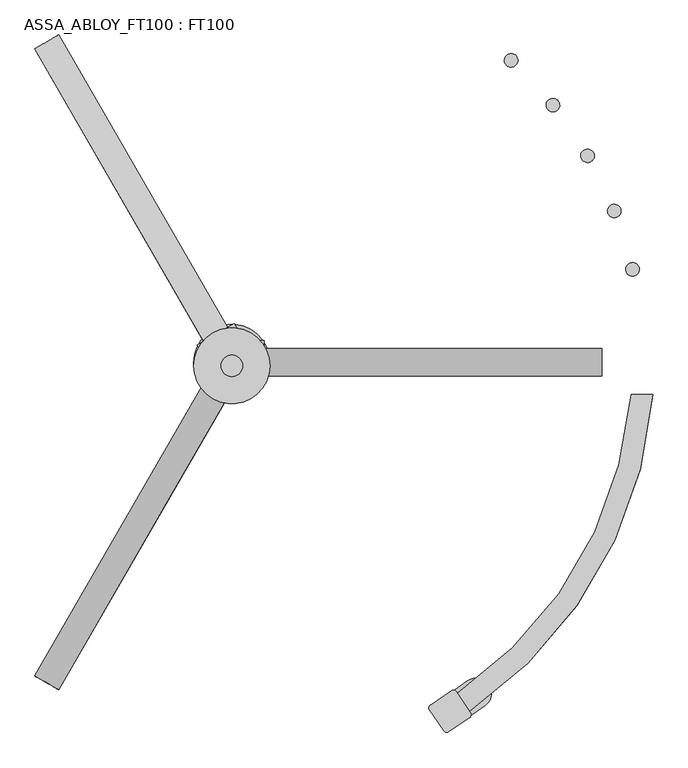
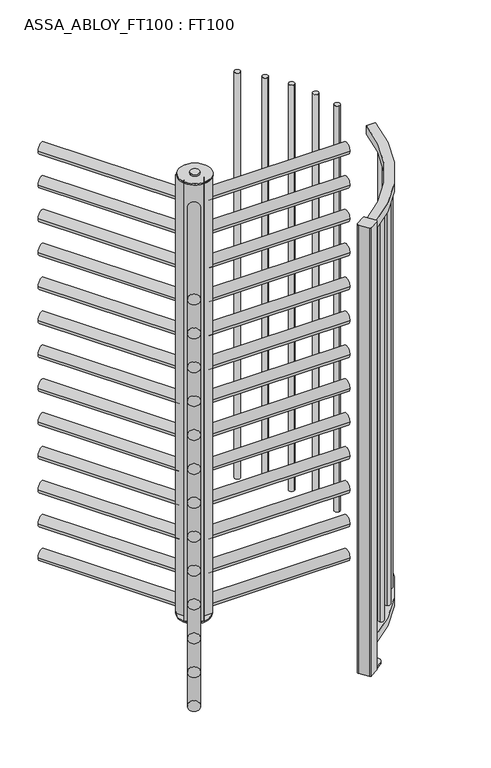
"""IFC4 building model written with IfcOpenShell, lengths in millimetres: proxy geometry, ASSA_ABLOY_FT100 : FT100."""

from ifc_helpers import new_model, si_unit, point, frame, frame_2d, origin, origin_with_axes, origin_2d, place, context, project, spatial, polyline, circle_curve, trimmed, segment, composite_curve, outline, extrude, source, transform, mapped, element, save
from ifc_brep_helpers import plane_surface, cylinder_surface, advanced_brep


def assa_abloy_ft100_ft100_c7faedb3(model_context):
    return source(origin(), model_context, "Body", "SolidModel", [
        extrude(outline(composite_curve([segment(trimmed(circle_curve(frame_2d((25.5, 2.28e-05)), 25.5), [point((25.5, -25.4999772))], [point((25.5, 25.5000228))], False, "CARTESIAN"), True, "CONTINUOUS"), segment(trimmed(circle_curve(frame_2d((25.5, 2.28e-05)), 25.5), [point((25.5, 25.5000228))], [point((25.5, -25.4999772))], False, "CARTESIAN"), True, "CONTINUOUS")], self_intersect=False)), frame((-342.9175003, -594.0003728, 37.0), z_axis=(0.4999685347432278, 0.8660435694967719, 0.0), x_axis=(0.0, 0.0, 1.0)), (0.0, 0.0, 1.0), 625.9000001),
        extrude(outline(composite_curve([segment(trimmed(circle_curve(frame_2d((186.5, 2.28e-05)), 25.5), [point((186.5, -25.4999772))], [point((186.5, 25.5000228))], False, "CARTESIAN"), True, "CONTINUOUS"), segment(trimmed(circle_curve(frame_2d((186.5, 2.28e-05)), 25.5), [point((186.5, 25.5000228))], [point((186.5, -25.4999772))], False, "CARTESIAN"), True, "CONTINUOUS")], self_intersect=False)), frame((-342.9175003, -594.0003728, 37.0), z_axis=(0.4999685347432278, 0.8660435694967719, 0.0), x_axis=(0.0, 0.0, 1.0)), (0.0, 0.0, 1.0), 625.9000001),
        extrude(outline(composite_curve([segment(trimmed(circle_curve(frame_2d((347.5, 2.28e-05)), 25.5), [point((347.5, -25.4999772))], [point((347.5, 25.5000228))], False, "CARTESIAN"), True, "CONTINUOUS"), segment(trimmed(circle_curve(frame_2d((347.5, 2.28e-05)), 25.5), [point((347.5, 25.5000228))], [point((347.5, -25.4999772))], False, "CARTESIAN"), True, "CONTINUOUS")], self_intersect=False)), frame((-342.9175003, -594.0003728, 37.0), z_axis=(0.4999685347432278, 0.8660435694967719, 0.0), x_axis=(0.0, 0.0, 1.0)), (0.0, 0.0, 1.0), 625.9000001),
        extrude(outline(composite_curve([segment(trimmed(circle_curve(frame_2d((508.5, 2.28e-05)), 25.5), [point((508.5, -25.4999772))], [point((508.5, 25.5000228))], False, "CARTESIAN"), True, "CONTINUOUS"), segment(trimmed(circle_curve(frame_2d((508.5, 2.28e-05)), 25.5), [point((508.5, 25.5000228))], [point((508.5, -25.4999772))], False, "CARTESIAN"), True, "CONTINUOUS")], self_intersect=False)), frame((-342.9175003, -594.0003728, 37.0), z_axis=(0.4999685347432278, 0.8660435694967719, 0.0), x_axis=(0.0, 0.0, 1.0)), (0.0, 0.0, 1.0), 625.9000001),
        extrude(outline(composite_curve([segment(trimmed(circle_curve(frame_2d((669.5, 2.28e-05)), 25.5), [point((669.5, -25.4999772))], [point((669.5, 25.5000228))], False, "CARTESIAN"), True, "CONTINUOUS"), segment(trimmed(circle_curve(frame_2d((669.5, 2.28e-05)), 25.5), [point((669.5, 25.5000228))], [point((669.5, -25.4999772))], False, "CARTESIAN"), True, "CONTINUOUS")], self_intersect=False)), frame((-342.9175003, -594.0003728, 37.0), z_axis=(0.4999685347432278, 0.8660435694967719, 0.0), x_axis=(0.0, 0.0, 1.0)), (0.0, 0.0, 1.0), 625.9000001),
        extrude(outline(composite_curve([segment(trimmed(circle_curve(frame_2d((830.5, 2.28e-05)), 25.5), [point((830.5, -25.4999772))], [point((830.5, 25.5000228))], False, "CARTESIAN"), True, "CONTINUOUS"), segment(trimmed(circle_curve(frame_2d((830.5, 2.28e-05)), 25.5), [point((830.5, 25.5000228))], [point((830.5, -25.4999772))], False, "CARTESIAN"), True, "CONTINUOUS")], self_intersect=False)), frame((-342.9175003, -594.0003728, 37.0), z_axis=(0.4999685347432278, 0.8660435694967719, 0.0), x_axis=(0.0, 0.0, 1.0)), (0.0, 0.0, 1.0), 625.9000001),
        extrude(outline(composite_curve([segment(trimmed(circle_curve(frame_2d((991.5, 2.28e-05)), 25.5), [point((991.5, -25.4999772))], [point((991.5, 25.5000228))], False, "CARTESIAN"), True, "CONTINUOUS"), segment(trimmed(circle_curve(frame_2d((991.5, 2.28e-05)), 25.5), [point((991.5, 25.5000228))], [point((991.5, -25.4999772))], False, "CARTESIAN"), True, "CONTINUOUS")], self_intersect=False)), frame((-342.9175003, -594.0003728, 37.0), z_axis=(0.4999685347432278, 0.8660435694967719, 0.0), x_axis=(0.0, 0.0, 1.0)), (0.0, 0.0, 1.0), 625.9000001),
        extrude(outline(composite_curve([segment(trimmed(circle_curve(frame_2d((1152.5, 2.28e-05)), 25.5), [point((1152.5, -25.4999772))], [point((1152.5, 25.5000228))], False, "CARTESIAN"), True, "CONTINUOUS"), segment(trimmed(circle_curve(frame_2d((1152.5, 2.28e-05)), 25.5), [point((1152.5, 25.5000228))], [point((1152.5, -25.4999772))], False, "CARTESIAN"), True, "CONTINUOUS")], self_intersect=False)), frame((-342.9175003, -594.0003728, 37.0), z_axis=(0.4999685347432278, 0.8660435694967719, 0.0), x_axis=(0.0, 0.0, 1.0)), (0.0, 0.0, 1.0), 625.9000001),
        extrude(outline(composite_curve([segment(trimmed(circle_curve(frame_2d((1313.5, 2.28e-05)), 25.5), [point((1313.5, -25.4999772))], [point((1313.5, 25.5000228))], False, "CARTESIAN"), True, "CONTINUOUS"), segment(trimmed(circle_curve(frame_2d((1313.5, 2.28e-05)), 25.5), [point((1313.5, 25.5000228))], [point((1313.5, -25.4999772))], False, "CARTESIAN"), True, "CONTINUOUS")], self_intersect=False)), frame((-342.9175003, -594.0003728, 37.0), z_axis=(0.4999685347432278, 0.8660435694967719, 0.0), x_axis=(0.0, 0.0, 1.0)), (0.0, 0.0, 1.0), 625.9000001),
        extrude(outline(composite_curve([segment(trimmed(circle_curve(frame_2d((1474.5, 2.28e-05)), 25.5), [point((1474.5, -25.4999772))], [point((1474.5, 25.5000228))], False, "CARTESIAN"), True, "CONTINUOUS"), segment(trimmed(circle_curve(frame_2d((1474.5, 2.28e-05)), 25.5), [point((1474.5, 25.5000228))], [point((1474.5, -25.4999772))], False, "CARTESIAN"), True, "CONTINUOUS")], self_intersect=False)), frame((-342.9175003, -594.0003728, 37.0), z_axis=(0.4999685347432278, 0.8660435694967719, 0.0), x_axis=(0.0, 0.0, 1.0)), (0.0, 0.0, 1.0), 625.9000001),
        extrude(outline(composite_curve([segment(trimmed(circle_curve(frame_2d((1635.5, 2.28e-05)), 25.5), [point((1635.5, -25.4999772))], [point((1635.5, 25.5000228))], False, "CARTESIAN"), True, "CONTINUOUS"), segment(trimmed(circle_curve(frame_2d((1635.5, 2.28e-05)), 25.5), [point((1635.5, 25.5000228))], [point((1635.5, -25.4999772))], False, "CARTESIAN"), True, "CONTINUOUS")], self_intersect=False)), frame((-342.9175003, -594.0003728, 37.0), z_axis=(0.4999685347432278, 0.8660435694967719, 0.0), x_axis=(0.0, 0.0, 1.0)), (0.0, 0.0, 1.0), 625.9000001),
        extrude(outline(composite_curve([segment(trimmed(circle_curve(frame_2d((1796.5, 2.28e-05)), 25.5), [point((1796.5, -25.4999772))], [point((1796.5, 25.5000228))], False, "CARTESIAN"), True, "CONTINUOUS"), segment(trimmed(circle_curve(frame_2d((1796.5, 2.28e-05)), 25.5), [point((1796.5, 25.5000228))], [point((1796.5, -25.4999772))], False, "CARTESIAN"), True, "CONTINUOUS")], self_intersect=False)), frame((-342.9175003, -594.0003728, 37.0), z_axis=(0.4999685347432278, 0.8660435694967719, 0.0), x_axis=(0.0, 0.0, 1.0)), (0.0, 0.0, 1.0), 625.9000001),
        extrude(outline(composite_curve([segment(trimmed(circle_curve(frame_2d((1957.5, 2.28e-05)), 25.5), [point((1957.5, -25.4999772))], [point((1957.5, 25.5000228))], False, "CARTESIAN"), True, "CONTINUOUS"), segment(trimmed(circle_curve(frame_2d((1957.5, 2.28e-05)), 25.5), [point((1957.5, 25.5000228))], [point((1957.5, -25.4999772))], False, "CARTESIAN"), True, "CONTINUOUS")], self_intersect=False)), frame((-342.9175003, -594.0003728, 37.0), z_axis=(0.4999685347432278, 0.8660435694967719, 0.0), x_axis=(0.0, 0.0, 1.0)), (0.0, 0.0, 1.0), 625.9000001),
        extrude(outline(composite_curve([segment(trimmed(circle_curve(frame_2d((25.5, -2.28e-05)), 25.5), [point((25.5, 25.4999772))], [point((25.5, -25.5000228))], False, "CARTESIAN"), True, "CONTINUOUS"), segment(trimmed(circle_curve(frame_2d((25.5, -2.28e-05)), 25.5), [point((25.5, -25.5000228))], [point((25.5, 25.4999772))], False, "CARTESIAN"), True, "CONTINUOUS")], self_intersect=False)), frame((-29.9917907, 51.946396, 37.0), z_axis=(-0.5000065646043345, 0.8660216136751852, 0.0), x_axis=(0.0, 0.0, 1.0)), (0.0, 0.0, 1.0), 625.9),
        extrude(outline(composite_curve([segment(trimmed(circle_curve(frame_2d((186.5, -2.28e-05)), 25.5), [point((186.5, 25.4999772))], [point((186.5, -25.5000228))], False, "CARTESIAN"), True, "CONTINUOUS"), segment(trimmed(circle_curve(frame_2d((186.5, -2.28e-05)), 25.5), [point((186.5, -25.5000228))], [point((186.5, 25.4999772))], False, "CARTESIAN"), True, "CONTINUOUS")], self_intersect=False)), frame((-29.9917907, 51.946396, 37.0), z_axis=(-0.5000065646043345, 0.8660216136751852, 0.0), x_axis=(0.0, 0.0, 1.0)), (0.0, 0.0, 1.0), 625.9),
        extrude(outline(composite_curve([segment(trimmed(circle_curve(frame_2d((347.5, -2.28e-05)), 25.5), [point((347.5, 25.4999772))], [point((347.5, -25.5000228))], False, "CARTESIAN"), True, "CONTINUOUS"), segment(trimmed(circle_curve(frame_2d((347.5, -2.28e-05)), 25.5), [point((347.5, -25.5000228))], [point((347.5, 25.4999772))], False, "CARTESIAN"), True, "CONTINUOUS")], self_intersect=False)), frame((-29.9917907, 51.946396, 37.0), z_axis=(-0.5000065646043345, 0.8660216136751852, 0.0), x_axis=(0.0, 0.0, 1.0)), (0.0, 0.0, 1.0), 625.9),
        extrude(outline(composite_curve([segment(trimmed(circle_curve(frame_2d((508.5, -2.28e-05)), 25.5), [point((508.5, 25.4999772))], [point((508.5, -25.5000228))], False, "CARTESIAN"), True, "CONTINUOUS"), segment(trimmed(circle_curve(frame_2d((508.5, -2.28e-05)), 25.5), [point((508.5, -25.5000228))], [point((508.5, 25.4999772))], False, "CARTESIAN"), True, "CONTINUOUS")], self_intersect=False)), frame((-29.9917907, 51.946396, 37.0), z_axis=(-0.5000065646043345, 0.8660216136751852, 0.0), x_axis=(0.0, 0.0, 1.0)), (0.0, 0.0, 1.0), 625.9),
        extrude(outline(composite_curve([segment(trimmed(circle_curve(frame_2d((669.5, -2.28e-05)), 25.5), [point((669.5, 25.4999772))], [point((669.5, -25.5000228))], False, "CARTESIAN"), True, "CONTINUOUS"), segment(trimmed(circle_curve(frame_2d((669.5, -2.28e-05)), 25.5), [point((669.5, -25.5000228))], [point((669.5, 25.4999772))], False, "CARTESIAN"), True, "CONTINUOUS")], self_intersect=False)), frame((-29.9917907, 51.946396, 37.0), z_axis=(-0.5000065646043345, 0.8660216136751852, 0.0), x_axis=(0.0, 0.0, 1.0)), (0.0, 0.0, 1.0), 625.9),
        extrude(outline(composite_curve([segment(trimmed(circle_curve(frame_2d((830.5, -2.28e-05)), 25.5), [point((830.5, 25.4999772))], [point((830.5, -25.5000228))], False, "CARTESIAN"), True, "CONTINUOUS"), segment(trimmed(circle_curve(frame_2d((830.5, -2.28e-05)), 25.5), [point((830.5, -25.5000228))], [point((830.5, 25.4999772))], False, "CARTESIAN"), True, "CONTINUOUS")], self_intersect=False)), frame((-29.9917907, 51.946396, 37.0), z_axis=(-0.5000065646043345, 0.8660216136751852, 0.0), x_axis=(0.0, 0.0, 1.0)), (0.0, 0.0, 1.0), 625.9),
        extrude(outline(composite_curve([segment(trimmed(circle_curve(frame_2d((991.5, -2.28e-05)), 25.5), [point((991.5, 25.4999772))], [point((991.5, -25.5000228))], False, "CARTESIAN"), True, "CONTINUOUS"), segment(trimmed(circle_curve(frame_2d((991.5, -2.28e-05)), 25.5), [point((991.5, -25.5000228))], [point((991.5, 25.4999772))], False, "CARTESIAN"), True, "CONTINUOUS")], self_intersect=False)), frame((-29.9917907, 51.946396, 37.0), z_axis=(-0.5000065646043345, 0.8660216136751852, 0.0), x_axis=(0.0, 0.0, 1.0)), (0.0, 0.0, 1.0), 625.9),
        extrude(outline(composite_curve([segment(trimmed(circle_curve(frame_2d((1152.5, -2.28e-05)), 25.5), [point((1152.5, 25.4999772))], [point((1152.5, -25.5000228))], False, "CARTESIAN"), True, "CONTINUOUS"), segment(trimmed(circle_curve(frame_2d((1152.5, -2.28e-05)), 25.5), [point((1152.5, -25.5000228))], [point((1152.5, 25.4999772))], False, "CARTESIAN"), True, "CONTINUOUS")], self_intersect=False)), frame((-29.9917907, 51.946396, 37.0), z_axis=(-0.5000065646043345, 0.8660216136751852, 0.0), x_axis=(0.0, 0.0, 1.0)), (0.0, 0.0, 1.0), 625.9),
        extrude(outline(composite_curve([segment(trimmed(circle_curve(frame_2d((1313.5, -2.28e-05)), 25.5), [point((1313.5, 25.4999772))], [point((1313.5, -25.5000228))], False, "CARTESIAN"), True, "CONTINUOUS"), segment(trimmed(circle_curve(frame_2d((1313.5, -2.28e-05)), 25.5), [point((1313.5, -25.5000228))], [point((1313.5, 25.4999772))], False, "CARTESIAN"), True, "CONTINUOUS")], self_intersect=False)), frame((-29.9917907, 51.946396, 37.0), z_axis=(-0.5000065646043345, 0.8660216136751852, 0.0), x_axis=(0.0, 0.0, 1.0)), (0.0, 0.0, 1.0), 625.9),
        extrude(outline(composite_curve([segment(trimmed(circle_curve(frame_2d((1474.5, -2.28e-05)), 25.5), [point((1474.5, 25.4999772))], [point((1474.5, -25.5000228))], False, "CARTESIAN"), True, "CONTINUOUS"), segment(trimmed(circle_curve(frame_2d((1474.5, -2.28e-05)), 25.5), [point((1474.5, -25.5000228))], [point((1474.5, 25.4999772))], False, "CARTESIAN"), True, "CONTINUOUS")], self_intersect=False)), frame((-29.9917907, 51.946396, 37.0), z_axis=(-0.5000065646043345, 0.8660216136751852, 0.0), x_axis=(0.0, 0.0, 1.0)), (0.0, 0.0, 1.0), 625.9),
        extrude(outline(composite_curve([segment(trimmed(circle_curve(frame_2d((1635.5, -2.28e-05)), 25.5), [point((1635.5, 25.4999772))], [point((1635.5, -25.5000228))], False, "CARTESIAN"), True, "CONTINUOUS"), segment(trimmed(circle_curve(frame_2d((1635.5, -2.28e-05)), 25.5), [point((1635.5, -25.5000228))], [point((1635.5, 25.4999772))], False, "CARTESIAN"), True, "CONTINUOUS")], self_intersect=False)), frame((-29.9917907, 51.946396, 37.0), z_axis=(-0.5000065646043345, 0.8660216136751852, 0.0), x_axis=(0.0, 0.0, 1.0)), (0.0, 0.0, 1.0), 625.9),
        extrude(outline(composite_curve([segment(trimmed(circle_curve(frame_2d((1796.5, -2.28e-05)), 25.5), [point((1796.5, 25.4999772))], [point((1796.5, -25.5000228))], False, "CARTESIAN"), True, "CONTINUOUS"), segment(trimmed(circle_curve(frame_2d((1796.5, -2.28e-05)), 25.5), [point((1796.5, -25.5000228))], [point((1796.5, 25.4999772))], False, "CARTESIAN"), True, "CONTINUOUS")], self_intersect=False)), frame((-29.9917907, 51.946396, 37.0), z_axis=(-0.5000065646043345, 0.8660216136751852, 0.0), x_axis=(0.0, 0.0, 1.0)), (0.0, 0.0, 1.0), 625.9),
        extrude(outline(composite_curve([segment(trimmed(circle_curve(frame_2d((1957.5, -2.28e-05)), 25.5), [point((1957.5, 25.4999772))], [point((1957.5, -25.5000228))], False, "CARTESIAN"), True, "CONTINUOUS"), segment(trimmed(circle_curve(frame_2d((1957.5, -2.28e-05)), 25.5), [point((1957.5, -25.5000228))], [point((1957.5, 25.4999772))], False, "CARTESIAN"), True, "CONTINUOUS")], self_intersect=False)), frame((-29.9917907, 51.946396, 37.0), z_axis=(-0.5000065646043345, 0.8660216136751852, 0.0), x_axis=(0.0, 0.0, 1.0)), (0.0, 0.0, 1.0), 625.9),
        extrude(outline(composite_curve([segment(trimmed(circle_curve(frame_2d((0.0, 62.5)), 25.5), [point((-25.5, 62.5))], [point((25.5, 62.5))], False, "CARTESIAN"), True, "CONTINUOUS"), segment(trimmed(circle_curve(frame_2d((0.0, 62.5)), 25.5), [point((25.5, 62.5))], [point((-25.5, 62.5))], False, "CARTESIAN"), True, "CONTINUOUS")], self_intersect=False)), frame((60.0, 0.0, 0.0), z_axis=(1.0, 0.0, 0.0), x_axis=(0.0, 1.0, 0.0)), (0.0, 0.0, 1.0), 625.9),
        extrude(outline(composite_curve([segment(trimmed(circle_curve(frame_2d((0.0, 223.5)), 25.5), [point((-25.5, 223.5))], [point((25.5, 223.5))], False, "CARTESIAN"), True, "CONTINUOUS"), segment(trimmed(circle_curve(frame_2d((0.0, 223.5)), 25.5), [point((25.5, 223.5))], [point((-25.5, 223.5))], False, "CARTESIAN"), True, "CONTINUOUS")], self_intersect=False)), frame((60.0, 0.0, 0.0), z_axis=(1.0, 0.0, 0.0), x_axis=(0.0, 1.0, 0.0)), (0.0, 0.0, 1.0), 625.9),
        extrude(outline(composite_curve([segment(trimmed(circle_curve(frame_2d((0.0, 384.5)), 25.5), [point((-25.5, 384.5))], [point((25.5, 384.5))], False, "CARTESIAN"), True, "CONTINUOUS"), segment(trimmed(circle_curve(frame_2d((0.0, 384.5)), 25.5), [point((25.5, 384.5))], [point((-25.5, 384.5))], False, "CARTESIAN"), True, "CONTINUOUS")], self_intersect=False)), frame((60.0, 0.0, 0.0), z_axis=(1.0, 0.0, 0.0), x_axis=(0.0, 1.0, 0.0)), (0.0, 0.0, 1.0), 625.9),
        extrude(outline(composite_curve([segment(trimmed(circle_curve(frame_2d((0.0, 545.5)), 25.5), [point((-25.5, 545.5))], [point((25.5, 545.5))], False, "CARTESIAN"), True, "CONTINUOUS"), segment(trimmed(circle_curve(frame_2d((0.0, 545.5)), 25.5), [point((25.5, 545.5))], [point((-25.5, 545.5))], False, "CARTESIAN"), True, "CONTINUOUS")], self_intersect=False)), frame((60.0, 0.0, 0.0), z_axis=(1.0, 0.0, 0.0), x_axis=(0.0, 1.0, 0.0)), (0.0, 0.0, 1.0), 625.9),
        extrude(outline(composite_curve([segment(trimmed(circle_curve(frame_2d((0.0, 706.5)), 25.5), [point((-25.5, 706.5))], [point((25.5, 706.5))], False, "CARTESIAN"), True, "CONTINUOUS"), segment(trimmed(circle_curve(frame_2d((0.0, 706.5)), 25.5), [point((25.5, 706.5))], [point((-25.5, 706.5))], False, "CARTESIAN"), True, "CONTINUOUS")], self_intersect=False)), frame((60.0, 0.0, 0.0), z_axis=(1.0, 0.0, 0.0), x_axis=(0.0, 1.0, 0.0)), (0.0, 0.0, 1.0), 625.9),
        extrude(outline(composite_curve([segment(trimmed(circle_curve(frame_2d((0.0, 867.5)), 25.5), [point((-25.5, 867.5))], [point((25.5, 867.5))], False, "CARTESIAN"), True, "CONTINUOUS"), segment(trimmed(circle_curve(frame_2d((0.0, 867.5)), 25.5), [point((25.5, 867.5))], [point((-25.5, 867.5))], False, "CARTESIAN"), True, "CONTINUOUS")], self_intersect=False)), frame((60.0, 0.0, 0.0), z_axis=(1.0, 0.0, 0.0), x_axis=(0.0, 1.0, 0.0)), (0.0, 0.0, 1.0), 625.9),
        extrude(outline(composite_curve([segment(trimmed(circle_curve(frame_2d((0.0, 1028.5)), 25.5), [point((-25.5, 1028.5))], [point((25.5, 1028.5))], False, "CARTESIAN"), True, "CONTINUOUS"), segment(trimmed(circle_curve(frame_2d((0.0, 1028.5)), 25.5), [point((25.5, 1028.5))], [point((-25.5, 1028.5))], False, "CARTESIAN"), True, "CONTINUOUS")], self_intersect=False)), frame((60.0, 0.0, 0.0), z_axis=(1.0, 0.0, 0.0), x_axis=(0.0, 1.0, 0.0)), (0.0, 0.0, 1.0), 625.9),
        extrude(outline(composite_curve([segment(trimmed(circle_curve(frame_2d((0.0, 1189.5)), 25.5), [point((-25.5, 1189.5))], [point((25.5, 1189.5))], False, "CARTESIAN"), True, "CONTINUOUS"), segment(trimmed(circle_curve(frame_2d((0.0, 1189.5)), 25.5), [point((25.5, 1189.5))], [point((-25.5, 1189.5))], False, "CARTESIAN"), True, "CONTINUOUS")], self_intersect=False)), frame((60.0, 0.0, 0.0), z_axis=(1.0, 0.0, 0.0), x_axis=(0.0, 1.0, 0.0)), (0.0, 0.0, 1.0), 625.9),
        extrude(outline(composite_curve([segment(trimmed(circle_curve(frame_2d((0.0, 1350.5)), 25.5), [point((-25.5, 1350.5))], [point((25.5, 1350.5))], False, "CARTESIAN"), True, "CONTINUOUS"), segment(trimmed(circle_curve(frame_2d((0.0, 1350.5)), 25.5), [point((25.5, 1350.5))], [point((-25.5, 1350.5))], False, "CARTESIAN"), True, "CONTINUOUS")], self_intersect=False)), frame((60.0, 0.0, 0.0), z_axis=(1.0, 0.0, 0.0), x_axis=(0.0, 1.0, 0.0)), (0.0, 0.0, 1.0), 625.9),
        extrude(outline(composite_curve([segment(trimmed(circle_curve(frame_2d((0.0, 1511.5)), 25.5), [point((-25.5, 1511.5))], [point((25.5, 1511.5))], False, "CARTESIAN"), True, "CONTINUOUS"), segment(trimmed(circle_curve(frame_2d((0.0, 1511.5)), 25.5), [point((25.5, 1511.5))], [point((-25.5, 1511.5))], False, "CARTESIAN"), True, "CONTINUOUS")], self_intersect=False)), frame((60.0, 0.0, 0.0), z_axis=(1.0, 0.0, 0.0), x_axis=(0.0, 1.0, 0.0)), (0.0, 0.0, 1.0), 625.9),
        extrude(outline(composite_curve([segment(trimmed(circle_curve(frame_2d((0.0, 1672.5)), 25.5), [point((-25.5, 1672.5))], [point((25.5, 1672.5))], False, "CARTESIAN"), True, "CONTINUOUS"), segment(trimmed(circle_curve(frame_2d((0.0, 1672.5)), 25.5), [point((25.5, 1672.5))], [point((-25.5, 1672.5))], False, "CARTESIAN"), True, "CONTINUOUS")], self_intersect=False)), frame((60.0, 0.0, 0.0), z_axis=(1.0, 0.0, 0.0), x_axis=(0.0, 1.0, 0.0)), (0.0, 0.0, 1.0), 625.9),
        extrude(outline(composite_curve([segment(trimmed(circle_curve(frame_2d((0.0, 1833.5)), 25.5), [point((-25.5, 1833.5))], [point((25.5, 1833.5))], False, "CARTESIAN"), True, "CONTINUOUS"), segment(trimmed(circle_curve(frame_2d((0.0, 1833.5)), 25.5), [point((25.5, 1833.5))], [point((-25.5, 1833.5))], False, "CARTESIAN"), True, "CONTINUOUS")], self_intersect=False)), frame((60.0, 0.0, 0.0), z_axis=(1.0, 0.0, 0.0), x_axis=(0.0, 1.0, 0.0)), (0.0, 0.0, 1.0), 625.9),
        extrude(outline(composite_curve([segment(trimmed(circle_curve(frame_2d((0.0, 1994.5)), 25.5), [point((-25.5, 1994.5))], [point((25.5, 1994.5))], False, "CARTESIAN"), True, "CONTINUOUS"), segment(trimmed(circle_curve(frame_2d((0.0, 1994.5)), 25.5), [point((25.5, 1994.5))], [point((-25.5, 1994.5))], False, "CARTESIAN"), True, "CONTINUOUS")], self_intersect=False)), frame((60.0, 0.0, 0.0), z_axis=(1.0, 0.0, 0.0), x_axis=(0.0, 1.0, 0.0)), (0.0, 0.0, 1.0), 625.9),
        extrude(outline(composite_curve([segment(trimmed(circle_curve(frame_2d((0.0003681, -6.5842658)), 20.0), [point((-19.9996319, -6.5842658))], [point((20.0003681, -6.5842658))], False, "CARTESIAN"), True, "CONTINUOUS"), segment(trimmed(circle_curve(frame_2d((0.0003681, -6.5842658)), 20.0), [point((20.0003681, -6.5842658))], [point((-19.9996319, -6.5842658))], False, "CARTESIAN"), True, "CONTINUOUS")], self_intersect=False)), frame((0.0, 0.0, 2116.4999542), z_axis=(0.0, 0.0, 1.0), x_axis=(1.0, 0.0, 0.0)), (0.0, 0.0, 1.0), 8.5),
        extrude(outline(composite_curve([segment(trimmed(circle_curve(frame_2d((0.0003681, -6.5842658)), 70.5), [point((-70.4996319, -6.5842658))], [point((70.5003681, -6.5842658))], False, "CARTESIAN"), True, "CONTINUOUS"), segment(trimmed(circle_curve(frame_2d((0.0003681, -6.5842658)), 70.5), [point((70.5003681, -6.5842658))], [point((-70.4996319, -6.5842658))], False, "CARTESIAN"), True, "CONTINUOUS")], self_intersect=False)), frame((0.0, 0.0, 2110.4999695), z_axis=(0.0, 0.0, 1.0), x_axis=(1.0, 0.0, 0.0)), (0.0, 0.0, 1.0), 5.9999847),
        extrude(outline(composite_curve([segment(trimmed(circle_curve(frame_2d((0.0003681, 0.0)), 20.0), [point((-19.9996319, 0.0))], [point((20.0003681, 0.0))], False, "CARTESIAN"), True, "CONTINUOUS"), segment(trimmed(circle_curve(frame_2d((0.0003681, 0.0)), 20.0), [point((20.0003681, 0.0))], [point((-19.9996319, 0.0))], False, "CARTESIAN"), True, "CONTINUOUS")], self_intersect=False)), frame((0.0, 0.0, 8.0), z_axis=(0.0, 0.0, 1.0), x_axis=(1.0, 0.0, 0.0)), (0.0, 0.0, 1.0), 13.0),
        extrude(outline(composite_curve([segment(trimmed(circle_curve(frame_2d((0.0003681, 0.0)), 70.5), [point((-70.4996319, 0.0))], [point((70.5003681, 0.0))], False, "CARTESIAN"), True, "CONTINUOUS"), segment(trimmed(circle_curve(frame_2d((0.0003681, 0.0)), 70.5), [point((70.5003681, 0.0))], [point((-70.4996319, 0.0))], False, "CARTESIAN"), True, "CONTINUOUS")], self_intersect=False)), frame((0.0, 0.0, 21.0), z_axis=(0.0, 0.0, 1.0), x_axis=(1.0, 0.0, 0.0)), (0.0, 0.0, 1.0), 5.9999847),
        extrude(outline(polyline([(23.0942963, 39.9999606), (60.0, 39.9999734), (60.0, -40.0000191), (23.0942625, -40.0000191), (4.2026102, -71.6815392), (-63.2809074, -32.7231813), (-46.1879562, 0.0), (-64.6324519, 31.9462508), (4.6494225, 71.9468599), (23.0942963, 39.9999606)])), frame((0.0, 0.0, 26.9999847), z_axis=(0.0, 0.0, 1.0), x_axis=(1.0, 0.0, 0.0)), (0.0, 0.0, 1.0), 2083.4999847),
        advanced_brep(
        [(739.8778981, -184.2583889, 148.5), (745.4688441, -159.8915876, 148.5), (739.8778981, -184.2583889, 2077.0), (745.5035047, -159.8995664, 2077.0)],
        [
            (0, 1, circle_curve(frame((742.6820377, -172.0769768, 148.5), z_axis=(0.0, 0.0, -1.0), x_axis=(0.22571736015093902, 0.9741928316952919, 0.0)), 12.5)),
            (1, 0, circle_curve(frame((742.6820377, -172.0769768, 148.5), z_axis=(0.0, 0.0, -1.0), x_axis=(0.22571736015093902, 0.9741928316952919, 0.0)), 12.5)),
            (2, 3, circle_curve(frame((742.6820377, -172.0769768, 2077.0), z_axis=(0.0, 0.0, 1.0), x_axis=(0.22571736015093902, 0.9741928316952919, 0.0)), 12.5)),
            (3, 2, circle_curve(frame((742.6820377, -172.0769768, 2077.0), z_axis=(0.0, 0.0, 1.0), x_axis=(0.22571736015093902, 0.9741928316952919, 0.0)), 12.5)),
            (1, 3),
            (2, 0),
        ],
        [
            plane_surface(frame((742.7246149, -172.0869154, 148.5), z_axis=(0.0, 0.0, -1.0), x_axis=(0.9741928316952919, -0.22571736015093902, 0.0))),
            plane_surface(frame((742.7246149, -172.0869154, 2077.0), z_axis=(0.0, 0.0, 1.0), x_axis=(0.9741928316952919, -0.22571736015093902, 0.0))),
            cylinder_surface(frame((742.6820377, -172.0769768, 148.5), z_axis=(0.0, 0.0, -1.0), x_axis=(0.22571736015093902, 0.9741928316952919, 0.0)), 12.5),
        ],
        [
            (0, [[1, 2]]),
            (1, [[3, 4]]),
            (2, [[5, -3, 6, -2]]),
            (2, [[-6, -4, -5, -1]]),
        ],
    ),
        advanced_brep(
        [(713.5184052, -268.8158202, 148.5), (704.3056197, -292.0563939, 148.5), (713.5184052, -268.8158202, 2077.0), (704.2725675, -292.0432645, 2077.0)],
        [
            (0, 1, circle_curve(frame((708.903747, -280.4328306, 148.5), z_axis=(0.0, 0.0, -1.0), x_axis=(0.36785018396747954, 0.9298850693258235, 0.0)), 12.5)),
            (1, 0, circle_curve(frame((708.903747, -280.4328306, 148.5), z_axis=(0.0, 0.0, -1.0), x_axis=(0.36785018396747954, 0.9298850693258235, 0.0)), 12.5)),
            (2, 3, circle_curve(frame((708.903747, -280.4328306, 2077.0), z_axis=(0.0, 0.0, 1.0), x_axis=(0.36785018396747954, 0.9298850693258235, 0.0)), 12.5)),
            (3, 2, circle_curve(frame((708.903747, -280.4328306, 2077.0), z_axis=(0.0, 0.0, 1.0), x_axis=(0.36785018396747954, 0.9298850693258235, 0.0)), 12.5)),
            (1, 3),
            (2, 0),
        ],
        [
            plane_surface(frame((708.9443769, -280.4489803, 148.5), z_axis=(0.0, 0.0, -1.0000000000000002), x_axis=(0.9298850693258235, -0.36785018396747954, 0.0))),
            plane_surface(frame((708.9443769, -280.4489803, 2077.0), z_axis=(0.0, 0.0, 1.0000000000000002), x_axis=(0.9298850693258235, -0.36785018396747954, 0.0))),
            cylinder_surface(frame((708.903747, -280.4328306, 148.5), z_axis=(0.0, 0.0, -1.0000000000000002), x_axis=(0.36785018396747954, 0.9298850693258235, 0.0)), 12.5),
        ],
        [
            (0, [[1, 2]]),
            (1, [[3, 4]]),
            (2, [[5, -3, 6, -2]]),
            (2, [[-6, -4, -5, -1]]),
        ],
    ),
        advanced_brep(
        [(665.7009086, -371.7697674, 148.5), (653.1397929, -393.3849948, 148.5), (665.7009086, -371.7697674, 2077.0), (653.1090562, -393.3671037, 2077.0)],
        [
            (0, 1, circle_curve(frame((659.4126634, -382.5729138, 148.5), z_axis=(0.0, 0.0, -1.0), x_axis=(0.5018296388362806, 0.8649664811918716, 0.0)), 12.5)),
            (1, 0, circle_curve(frame((659.4126634, -382.5729138, 148.5), z_axis=(0.0, 0.0, -1.0), x_axis=(0.5018296388362806, 0.8649664811918716, 0.0)), 12.5)),
            (2, 3, circle_curve(frame((659.4126634, -382.5729138, 2077.0), z_axis=(0.0, 0.0, 1.0), x_axis=(0.5018296388362806, 0.8649664811918716, 0.0)), 12.5)),
            (3, 2, circle_curve(frame((659.4126634, -382.5729138, 2077.0), z_axis=(0.0, 0.0, 1.0), x_axis=(0.5018296388362806, 0.8649664811918716, 0.0)), 12.5)),
            (1, 3),
            (2, 0),
        ],
        [
            plane_surface(frame((659.4504453, -382.5949166, 148.5), z_axis=(0.0, 0.0, -1.0000000000000002), x_axis=(0.8649664811918716, -0.5018296388362806, 0.0))),
            plane_surface(frame((659.4504453, -382.5949166, 2077.0), z_axis=(0.0, 0.0, 1.0000000000000002), x_axis=(0.8649664811918716, -0.5018296388362806, 0.0))),
            cylinder_surface(frame((659.4126634, -382.5729138, 148.5), z_axis=(0.0, 0.0, -1.0000000000000002), x_axis=(0.5018296388362806, 0.8649664811918716, 0.0)), 12.5),
        ],
        [
            (0, [[1, 2]]),
            (1, [[3, 4]]),
            (2, [[5, -3, 6, -2]]),
            (2, [[-6, -4, -5, -1]]),
        ],
    ),
        advanced_brep(
        [(602.9492767, -466.7147195, 148.5), (587.310766, -486.2195053, 148.5), (602.9492767, -466.7147195, 2077.0), (587.2830347, -486.1972385, 2077.0)],
        [
            (0, 1, circle_curve(frame((595.1230845, -476.4615507, 148.5), z_axis=(0.0, 0.0, -1.0), x_axis=(0.6249854827810994, 0.7806363726555893, 0.0)), 12.5)),
            (1, 0, circle_curve(frame((595.1230845, -476.4615507, 148.5), z_axis=(0.0, 0.0, -1.0), x_axis=(0.6249854827810994, 0.7806363726555893, 0.0)), 12.5)),
            (2, 3, circle_curve(frame((595.1230845, -476.4615507, 2077.0), z_axis=(0.0, 0.0, 1.0), x_axis=(0.6249854827810994, 0.7806363726555893, 0.0)), 12.5)),
            (3, 2, circle_curve(frame((595.1230845, -476.4615507, 2077.0), z_axis=(0.0, 0.0, 1.0), x_axis=(0.6249854827810994, 0.7806363726555893, 0.0)), 12.5)),
            (1, 3),
            (2, 0),
        ],
        [
            plane_surface(frame((595.1571705, -476.4889321, 148.5), z_axis=(0.0, 0.0, -1.0), x_axis=(0.7806363726555893, -0.6249854827810994, 0.0))),
            plane_surface(frame((595.1571705, -476.4889321, 2077.0), z_axis=(0.0, 0.0, 1.0), x_axis=(0.7806363726555893, -0.6249854827810994, 0.0))),
            cylinder_surface(frame((595.1230845, -476.4615507, 148.5), z_axis=(0.0, 0.0, -1.0), x_axis=(0.6249854827810994, 0.7806363726555893, 0.0)), 12.5),
        ],
        [
            (0, [[1, 2]]),
            (1, [[3, 4]]),
            (2, [[5, -3, 6, -2]]),
            (2, [[-6, -4, -5, -1]]),
        ],
    ),
        advanced_brep(
        [(526.9315336, -551.0504511, 148.5), (508.5805001, -568.0280705, 148.5), (526.9315336, -551.0504511, 2077.0), (508.5774477, -568.0247706, 2077.0)],
        [
            (0, 1, circle_curve(frame((517.7552537, -559.5384359, 148.5), z_axis=(0.0, 0.0, -1.0), x_axis=(0.733980288863185, 0.6791707705432526, 0.0)), 12.5)),
            (1, 0, circle_curve(frame((517.7552537, -559.5384359, 148.5), z_axis=(0.0, 0.0, -1.0), x_axis=(0.733980288863185, 0.6791707705432526, 0.0)), 12.5)),
            (2, 3, circle_curve(frame((517.7552537, -559.5384359, 2077.0), z_axis=(0.0, 0.0, 1.0), x_axis=(0.733980288863185, 0.6791707705432526, 0.0)), 12.5)),
            (3, 2, circle_curve(frame((517.7552537, -559.5384359, 2077.0), z_axis=(0.0, 0.0, 1.0), x_axis=(0.733980288863185, 0.6791707705432526, 0.0)), 12.5)),
            (1, 3),
            (2, 0),
        ],
        [
            plane_surface(frame((517.7997955, -559.5865722, 148.5), z_axis=(0.0, 0.0, -1.0), x_axis=(0.6791707705432526, -0.733980288863185, 0.0))),
            plane_surface(frame((517.7997955, -559.5865722, 2077.0), z_axis=(0.0, 0.0, 1.0), x_axis=(0.6791707705432526, -0.733980288863185, 0.0))),
            cylinder_surface(frame((517.7552537, -559.5384359, 148.5), z_axis=(0.0, 0.0, -1.0), x_axis=(0.733980288863185, 0.6791707705432526, 0.0)), 12.5),
        ],
        [
            (0, [[1, 2]]),
            (1, [[3, 4]]),
            (2, [[5, -3, 6, -2]]),
            (2, [[-6, -4, -5, -1]]),
        ],
    ),
        extrude(outline(composite_curve([segment(trimmed(circle_curve(origin_2d(), 742.4655826), [point((418.0774898, -613.5685405))], [point((740.0372567, -60.0))], True, "CARTESIAN"), True, "CONTINUOUS"), segment(polyline([(740.0372567, -60.0), (780.1617704, -60.0)]), True, "CONTINUOUS"), segment(trimmed(circle_curve(origin_2d(), 782.4655826), [point((780.1617704, -60.0))], [point((440.6012269, -646.6242702))], False, "CARTESIAN"), True, "CONTINUOUS"), segment(polyline([(440.6012269, -646.6242702), (418.0774898, -613.5685405)]), True, "CONTINUOUS")], self_intersect=False)), frame((0.0, 0.0, 108.5), z_axis=(0.0, 0.0, 1.0), x_axis=(1.0, 0.0, 0.0)), (0.0, 0.0, 1.0), 40.0),
        extrude(outline(composite_curve([segment(trimmed(circle_curve(origin_2d(), 742.4655826), [point((418.0774898, -613.5685405))], [point((740.0372567, -60.0))], True, "CARTESIAN"), True, "CONTINUOUS"), segment(polyline([(740.0372567, -60.0), (780.1617704, -60.0)]), True, "CONTINUOUS"), segment(trimmed(circle_curve(origin_2d(), 782.4655826), [point((780.1617704, -60.0))], [point((440.6012269, -646.6242702))], False, "CARTESIAN"), True, "CONTINUOUS"), segment(polyline([(440.6012269, -646.6242702), (418.0774898, -613.5685405)]), True, "CONTINUOUS")], self_intersect=False)), frame((0.0, 0.0, 2077.0), z_axis=(0.0, 0.0, 1.0), x_axis=(1.0, 0.0, 0.0)), (0.0, 0.0, 1.0), 40.0),
        extrude(outline(composite_curve([segment(trimmed(circle_curve(frame_2d((398.3166943, -679.7133111)), 6.4), [point((401.9204923, -685.0022278))], [point((393.0277776, -683.317109))], False, "CARTESIAN"), True, "CONTINUOUS"), segment(polyline([(393.0277776, -683.317109), (366.4497678, -644.3113479)]), True, "CONTINUOUS"), segment(trimmed(circle_curve(frame_2d((371.7386846, -640.70755)), 6.4), [point((366.4497678, -644.3113479))], [point((368.1348866, -635.4186332))], False, "CARTESIAN"), True, "CONTINUOUS"), segment(polyline([(368.1348866, -635.4186332), (407.1207097, -608.854209)]), True, "CONTINUOUS"), segment(trimmed(circle_curve(frame_2d((410.7245076, -614.1431257)), 6.4), [point((407.1207097, -608.854209))], [point((416.0134244, -610.5393278))], False, "CARTESIAN"), True, "CONTINUOUS"), segment(polyline([(416.0134244, -610.5393278), (442.5914341, -649.5450888)]), True, "CONTINUOUS"), segment(trimmed(circle_curve(frame_2d((437.3025174, -653.1488868)), 6.4), [point((442.5914341, -649.5450888))], [point((440.9063153, -658.4378035))], False, "CARTESIAN"), True, "CONTINUOUS"), segment(polyline([(440.9063153, -658.4378035), (401.9204923, -685.0022278)]), True, "CONTINUOUS")], self_intersect=False)), origin_with_axes(), (0.0, 0.0, 1.0), 2130.0),
        extrude(outline(composite_curve([segment(trimmed(circle_curve(frame_2d((-0.0170756, 0.0250601)), 734.3647421), [point((413.4988841, -606.8490005))], [point((437.0598396, -590.1065732))], True, "CARTESIAN"), True, "CONTINUOUS"), segment(trimmed(circle_curve(frame_2d((453.7247922, -612.6072255)), 28.0), [point((437.0598396, -590.1065732))], [point((470.3897449, -635.1078778))], False, "CARTESIAN"), True, "CONTINUOUS"), segment(trimmed(circle_curve(frame_2d((-0.0170756, 0.0250601)), 790.3647421), [point((470.3897449, -635.1078778))], [point((445.0321161, -653.1270221))], False, "CARTESIAN"), True, "CONTINUOUS"), segment(polyline([(445.0321161, -653.1270221), (413.4988841, -606.8490005)]), True, "CONTINUOUS")], self_intersect=False)), origin_with_axes(), (0.0, 0.0, 1.0), 8.0),
        advanced_brep(
        [(739.8778981, 184.2583889, 148.5), (745.5035047, 159.8995664, 148.5), (739.8778981, 184.2583889, 2077.0), (745.4688441, 159.8915876, 2077.0)],
        [
            (0, 1, circle_curve(frame((742.6820377, 172.0769768, 148.5), z_axis=(0.0, 0.0, -1.0), x_axis=(0.22571736015093902, -0.9741928316952919, 0.0)), 12.5)),
            (1, 0, circle_curve(frame((742.6820377, 172.0769768, 148.5), z_axis=(0.0, 0.0, -1.0), x_axis=(0.22571736015093902, -0.9741928316952919, 0.0)), 12.5)),
            (2, 3, circle_curve(frame((742.6820377, 172.0769768, 2077.0), z_axis=(0.0, 0.0, 1.0), x_axis=(0.22571736015093902, -0.9741928316952919, 0.0)), 12.5)),
            (3, 2, circle_curve(frame((742.6820377, 172.0769768, 2077.0), z_axis=(0.0, 0.0, 1.0), x_axis=(0.22571736015093902, -0.9741928316952919, 0.0)), 12.5)),
            (0, 2),
            (3, 1),
        ],
        [
            plane_surface(frame((742.7246149, 172.0869154, 148.5), z_axis=(0.0, 0.0, -1.0), x_axis=(0.9741928316952919, 0.22571736015093902, 0.0))),
            plane_surface(frame((742.7246149, 172.0869154, 2077.0), z_axis=(0.0, 0.0, 1.0), x_axis=(0.9741928316952919, 0.22571736015093902, 0.0))),
            cylinder_surface(frame((742.6820377, 172.0769768, 148.5), z_axis=(0.0, 0.0, -1.0), x_axis=(0.22571736015093902, -0.9741928316952919, 0.0)), 12.5),
        ],
        [
            (0, [[1, 2]]),
            (1, [[3, 4]]),
            (2, [[-1, 5, -4, 6]]),
            (2, [[-2, -6, -3, -5]]),
        ],
    ),
        advanced_brep(
        [(713.5184052, 268.8158202, 148.5), (704.2725675, 292.0432645, 148.5), (713.5184052, 268.8158202, 2077.0), (704.3056197, 292.0563939, 2077.0)],
        [
            (0, 1, circle_curve(frame((708.903747, 280.4328306, 148.5), z_axis=(0.0, 0.0, -1.0), x_axis=(0.36785018396747954, -0.9298850693258235, 0.0)), 12.5)),
            (1, 0, circle_curve(frame((708.903747, 280.4328306, 148.5), z_axis=(0.0, 0.0, -1.0), x_axis=(0.36785018396747954, -0.9298850693258235, 0.0)), 12.5)),
            (2, 3, circle_curve(frame((708.903747, 280.4328306, 2077.0), z_axis=(0.0, 0.0, 1.0), x_axis=(0.36785018396747954, -0.9298850693258235, 0.0)), 12.5)),
            (3, 2, circle_curve(frame((708.903747, 280.4328306, 2077.0), z_axis=(0.0, 0.0, 1.0), x_axis=(0.36785018396747954, -0.9298850693258235, 0.0)), 12.5)),
            (0, 2),
            (3, 1),
        ],
        [
            plane_surface(frame((708.9443769, 280.4489803, 148.5), z_axis=(0.0, 0.0, -1.0000000000000002), x_axis=(0.9298850693258235, 0.36785018396747954, 0.0))),
            plane_surface(frame((708.9443769, 280.4489803, 2077.0), z_axis=(0.0, 0.0, 1.0000000000000002), x_axis=(0.9298850693258235, 0.36785018396747954, 0.0))),
            cylinder_surface(frame((708.903747, 280.4328306, 148.5), z_axis=(0.0, 0.0, -1.0000000000000002), x_axis=(0.36785018396747954, -0.9298850693258235, 0.0)), 12.5),
        ],
        [
            (0, [[1, 2]]),
            (1, [[3, 4]]),
            (2, [[-1, 5, -4, 6]]),
            (2, [[-2, -6, -3, -5]]),
        ],
    ),
        advanced_brep(
        [(665.7009086, 371.7697674, 148.5), (653.1090562, 393.3671037, 148.5), (665.7009086, 371.7697674, 2077.0), (653.1397929, 393.3849948, 2077.0)],
        [
            (0, 1, circle_curve(frame((659.4126634, 382.5729138, 148.5), z_axis=(0.0, 0.0, -1.0), x_axis=(0.5018296388362806, -0.8649664811918716, 0.0)), 12.5)),
            (1, 0, circle_curve(frame((659.4126634, 382.5729138, 148.5), z_axis=(0.0, 0.0, -1.0), x_axis=(0.5018296388362806, -0.8649664811918716, 0.0)), 12.5)),
            (2, 3, circle_curve(frame((659.4126634, 382.5729138, 2077.0), z_axis=(0.0, 0.0, 1.0), x_axis=(0.5018296388362806, -0.8649664811918716, 0.0)), 12.5)),
            (3, 2, circle_curve(frame((659.4126634, 382.5729138, 2077.0), z_axis=(0.0, 0.0, 1.0), x_axis=(0.5018296388362806, -0.8649664811918716, 0.0)), 12.5)),
            (0, 2),
            (3, 1),
        ],
        [
            plane_surface(frame((659.4504453, 382.5949166, 148.5), z_axis=(0.0, 0.0, -1.0000000000000002), x_axis=(0.8649664811918716, 0.5018296388362806, 0.0))),
            plane_surface(frame((659.4504453, 382.5949166, 2077.0), z_axis=(0.0, 0.0, 1.0000000000000002), x_axis=(0.8649664811918716, 0.5018296388362806, 0.0))),
            cylinder_surface(frame((659.4126634, 382.5729138, 148.5), z_axis=(0.0, 0.0, -1.0000000000000002), x_axis=(0.5018296388362806, -0.8649664811918716, 0.0)), 12.5),
        ],
        [
            (0, [[1, 2]]),
            (1, [[3, 4]]),
            (2, [[-1, 5, -4, 6]]),
            (2, [[-2, -6, -3, -5]]),
        ],
    ),
        advanced_brep(
        [(602.9492767, 466.7147195, 148.5), (587.2830347, 486.1972385, 148.5), (602.9492767, 466.7147195, 2077.0), (587.310766, 486.2195053, 2077.0)],
        [
            (0, 1, circle_curve(frame((595.1230845, 476.4615507, 148.5), z_axis=(0.0, 0.0, -1.0), x_axis=(0.6249854827810994, -0.7806363726555893, 0.0)), 12.5)),
            (1, 0, circle_curve(frame((595.1230845, 476.4615507, 148.5), z_axis=(0.0, 0.0, -1.0), x_axis=(0.6249854827810994, -0.7806363726555893, 0.0)), 12.5)),
            (2, 3, circle_curve(frame((595.1230845, 476.4615507, 2077.0), z_axis=(0.0, 0.0, 1.0), x_axis=(0.6249854827810994, -0.7806363726555893, 0.0)), 12.5)),
            (3, 2, circle_curve(frame((595.1230845, 476.4615507, 2077.0), z_axis=(0.0, 0.0, 1.0), x_axis=(0.6249854827810994, -0.7806363726555893, 0.0)), 12.5)),
            (0, 2),
            (3, 1),
        ],
        [
            plane_surface(frame((595.1571705, 476.4889321, 148.5), z_axis=(0.0, 0.0, -1.0), x_axis=(0.7806363726555893, 0.6249854827810994, 0.0))),
            plane_surface(frame((595.1571705, 476.4889321, 2077.0), z_axis=(0.0, 0.0, 1.0), x_axis=(0.7806363726555893, 0.6249854827810994, 0.0))),
            cylinder_surface(frame((595.1230845, 476.4615507, 148.5), z_axis=(0.0, 0.0, -1.0), x_axis=(0.6249854827810994, -0.7806363726555893, 0.0)), 12.5),
        ],
        [
            (0, [[1, 2]]),
            (1, [[3, 4]]),
            (2, [[-1, 5, -4, 6]]),
            (2, [[-2, -6, -3, -5]]),
        ],
    ),
        advanced_brep(
        [(526.9315336, 551.0504511, 148.5), (508.5774477, 568.0247706, 148.5), (526.9315336, 551.0504511, 2077.0), (508.5805001, 568.0280705, 2077.0)],
        [
            (0, 1, circle_curve(frame((517.7552537, 559.5384359, 148.5), z_axis=(0.0, 0.0, -1.0), x_axis=(0.733980288863185, -0.6791707705432526, 0.0)), 12.5)),
            (1, 0, circle_curve(frame((517.7552537, 559.5384359, 148.5), z_axis=(0.0, 0.0, -1.0), x_axis=(0.733980288863185, -0.6791707705432526, 0.0)), 12.5)),
            (2, 3, circle_curve(frame((517.7552537, 559.5384359, 2077.0), z_axis=(0.0, 0.0, 1.0), x_axis=(0.733980288863185, -0.6791707705432526, 0.0)), 12.5)),
            (3, 2, circle_curve(frame((517.7552537, 559.5384359, 2077.0), z_axis=(0.0, 0.0, 1.0), x_axis=(0.733980288863185, -0.6791707705432526, 0.0)), 12.5)),
            (0, 2),
            (3, 1),
        ],
        [
            plane_surface(frame((517.7997955, 559.5865722, 148.5), z_axis=(0.0, 0.0, -1.0), x_axis=(0.6791707705432526, 0.733980288863185, 0.0))),
            plane_surface(frame((517.7997955, 559.5865722, 2077.0), z_axis=(0.0, 0.0, 1.0), x_axis=(0.6791707705432526, 0.733980288863185, 0.0))),
            cylinder_surface(frame((517.7552537, 559.5384359, 148.5), z_axis=(0.0, 0.0, -1.0), x_axis=(0.733980288863185, -0.6791707705432526, 0.0)), 12.5),
        ],
        [
            (0, [[1, 2]]),
            (1, [[3, 4]]),
            (2, [[-1, 5, -4, 6]]),
            (2, [[-2, -6, -3, -5]]),
        ],
    ),
    ])


if __name__ == "__main__":
    model = new_model("IFC4")
    model_context = context("Model", 3, world=origin())
    ifc_project = project(units=[si_unit("LENGTHUNIT", "METRE", prefix="MILLI")], contexts=[model_context])
    site = spatial("IfcSite", under=ifc_project)
    building = spatial("IfcBuilding", under=site)
    placement = place(None, origin())
    assa_abloy_ft100_ft100_shape = assa_abloy_ft100_ft100_c7faedb3(model_context)
    element("IfcBuildingElementProxy", 1, Name="ASSA_ABLOY_FT100 : FT100", ObjectType="ASSA_ABLOY_FT100 : FT100", at=placement, inside=building, context=model_context, shape_type="MappedRepresentation", body=[
        mapped(assa_abloy_ft100_ft100_shape, transform((0.0, 0.0, 0.0), x_axis=(1.0, 0.0, 0.0), y_axis=(0.0, 1.0, 0.0), z_axis=(0.0, 0.0, 1.0))),
    ])
    save(model, "model.ifc")
